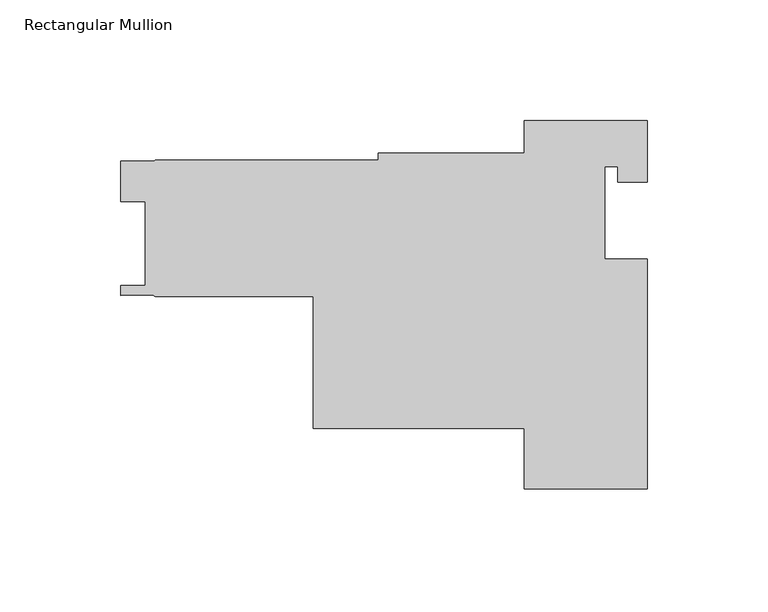
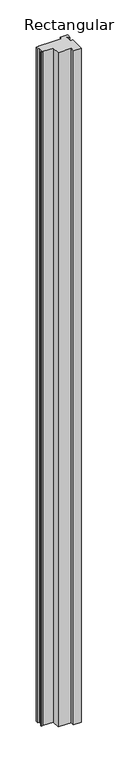
"""IFC4 building model written with IfcOpenShell, lengths in millimetres: member geometry, Rectangular Mullion."""

from ifc_helpers import new_model, si_unit, frame, origin, place, context, project, spatial, polyline, outline, extrude, source, transform, mapped, element, save


def rectangular_mullion_a4c47a5f(model_context):
    return source(origin(), model_context, "Body", "SweptSolid", [
        extrude(outline(polyline([(25.4, 0.0), (25.4, -25.4), (13.208, -25.4), (13.208, -19.05), (7.95, -19.05), (7.95, -57.15), (25.4, -57.15), (25.4, -152.4), (-25.4, -152.4), (-25.4, -127.3556), (-112.6998, -127.3556), (-112.6998, -72.7230024), (-177.9701941, -72.7230024), (-179.0736672, -72.2036923), (-192.2576941, -72.2594524), (-192.2576941, -68.2907024), (-182.2119941, -68.2907024), (-182.2119941, -33.3530021), (-192.2449939, -33.3530021), (-192.2449939, -16.6906023), (-178.7620876, -16.6906023), (-177.9701941, -16.2334024), (-85.725, -16.2334024), (-85.725, -13.3096), (-25.4, -13.3096), (-25.4, 0.0), (25.4, 0.0)])), frame((0.0, 0.0, -4719.9197332), z_axis=(0.0, 0.0, 1.0), x_axis=(1.0, 0.0, 0.0)), (0.0, 0.0, 1.0), 4719.9197332),
    ])


if __name__ == "__main__":
    model = new_model("IFC4")
    model_context = context("Model", 3, world=origin())
    ifc_project = project(units=[si_unit("LENGTHUNIT", "METRE", prefix="MILLI")], contexts=[model_context])
    site = spatial("IfcSite", under=ifc_project)
    building = spatial("IfcBuilding", under=site)
    placement = place(None, origin())
    rectangular_mullion_shape = rectangular_mullion_a4c47a5f(model_context)
    element("IfcMember", 1, ObjectType="Rectangular Mullion", at=placement, inside=building, context=model_context, shape_type="MappedRepresentation", body=[
        mapped(rectangular_mullion_shape, transform((0.0, 0.0, 0.0), x_axis=(1.0, 0.0, 0.0), y_axis=(0.0, 1.0, 0.0), z_axis=(0.0, 0.0, 1.0))),
    ])
    save(model, "model.ifc")
